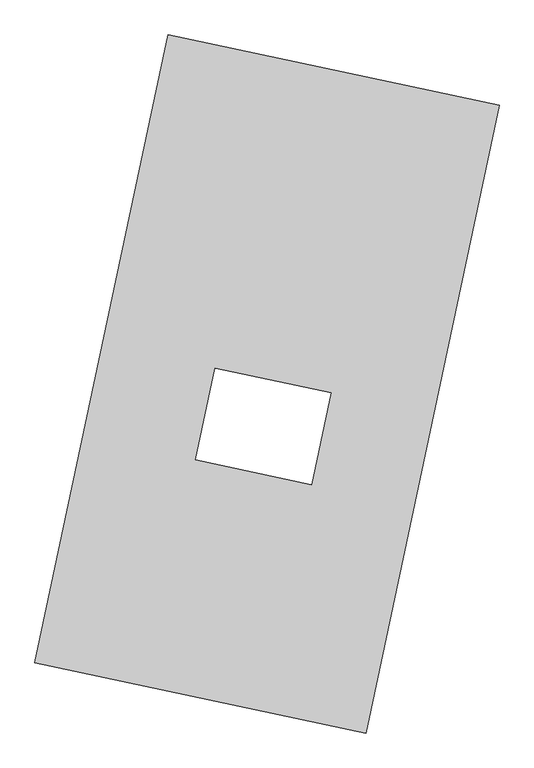
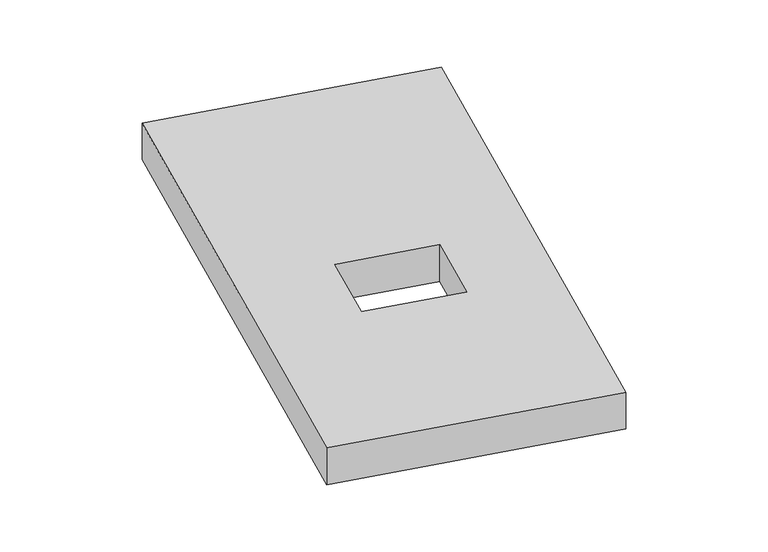
"""IFC4 building model written with IfcOpenShell, lengths in millimetres: proxy geometry."""

from ifc_helpers import new_model, si_unit, origin, origin_with_axes, place, context, project, spatial, polyline, outline, extrude, source, transform, mapped, element, save


def generic_models_d9a1238a(model_context):
    return source(origin(), model_context, "Body", "SweptSolid", [
        extrude(outline(polyline([(-617.3692021, 2175.5580432), (1447.7508745, 1737.3010494), (617.3692021, -2175.5580432), (-1447.7508745, -1737.3010494), (-617.3692021, 2175.5580432)]), holes=[polyline([(399.1075061, -55.6589761), (-324.0228278, 97.8027667), (-445.1530329, -472.9774418), (277.9773011, -626.4391847), (399.1075061, -55.6589761)])]), origin_with_axes(), (0.0, 0.0, 1.0), 300.0),
    ])


if __name__ == "__main__":
    model = new_model("IFC4")
    model_context = context("Model", 3, world=origin())
    ifc_project = project(units=[si_unit("LENGTHUNIT", "METRE", prefix="MILLI")], contexts=[model_context])
    site = spatial("IfcSite", under=ifc_project)
    building = spatial("IfcBuilding", under=site)
    placement = place(None, origin())
    generic_models_shape = generic_models_d9a1238a(model_context)
    element("IfcBuildingElementProxy", 1, Name="Generic Models", at=placement, inside=building, context=model_context, shape_type="MappedRepresentation", body=[
        mapped(generic_models_shape, transform((0.0, 0.0, 0.0), x_axis=(1.0, 0.0, 0.0), y_axis=(0.0, 1.0, 0.0), z_axis=(0.0, 0.0, 1.0))),
    ])
    save(model, "model.ifc")
